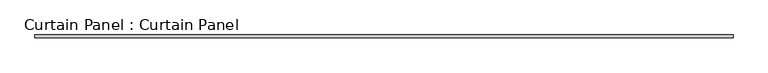
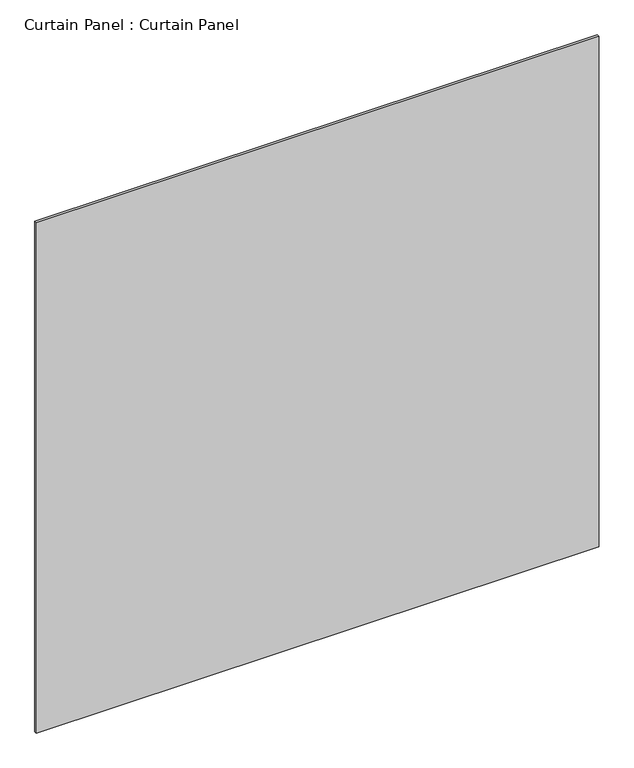
"""IFC4 building model written with IfcOpenShell, lengths in millimetres: plate geometry, Curtain Panel : Curtain Panel."""

from ifc_helpers import new_model, si_unit, frame, origin, place, context, project, spatial, polyline, outline, extrude, source, transform, mapped, element, save


def curtain_panel_curtain_panel_d0d7a92f(model_context):
    return source(origin(), model_context, "Body", "SweptSolid", [
        extrude(outline(polyline([(-363754.9820997, 3486.6118683), (-365208.9149983, 3486.6118683), (-365208.9149983, 3492.9618683), (-363754.9820997, 3492.9618683), (-363754.9820997, 3486.6118683)])), frame((0.0, 0.0, 98.425), z_axis=(0.0, 0.0, 1.0), x_axis=(1.0, 0.0, 0.0)), (0.0, 0.0, 1.0), 1393.825),
    ])


if __name__ == "__main__":
    model = new_model("IFC4")
    model_context = context("Model", 3, world=origin())
    ifc_project = project(units=[si_unit("LENGTHUNIT", "METRE", prefix="MILLI")], contexts=[model_context])
    site = spatial("IfcSite", under=ifc_project)
    building = spatial("IfcBuilding", under=site)
    placement = place(None, origin())
    curtain_panel_curtain_panel_shape = curtain_panel_curtain_panel_d0d7a92f(model_context)
    element("IfcPlate", 1, ObjectType="Curtain Panel : Curtain Panel", at=placement, inside=building, context=model_context, shape_type="MappedRepresentation", body=[
        mapped(curtain_panel_curtain_panel_shape, transform((0.0, 0.0, 0.0), x_axis=(1.0, 0.0, 0.0), y_axis=(0.0, 1.0, 0.0), z_axis=(0.0, 0.0, 1.0))),
    ])
    save(model, "model.ifc")
